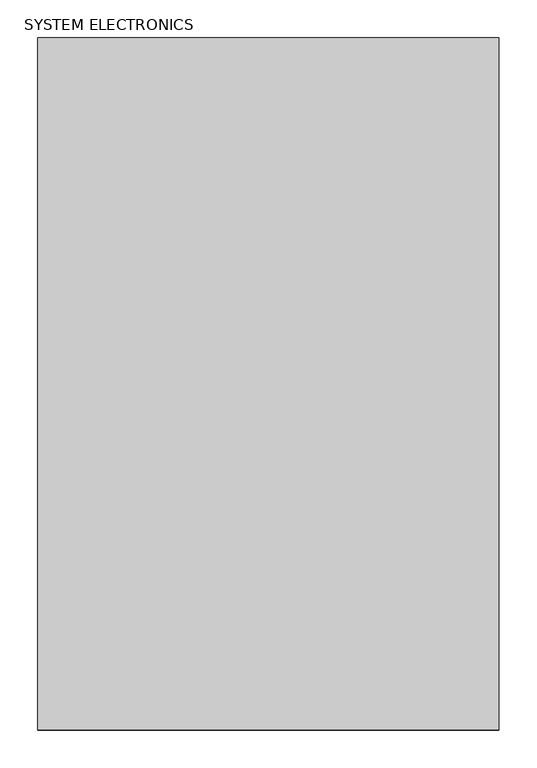
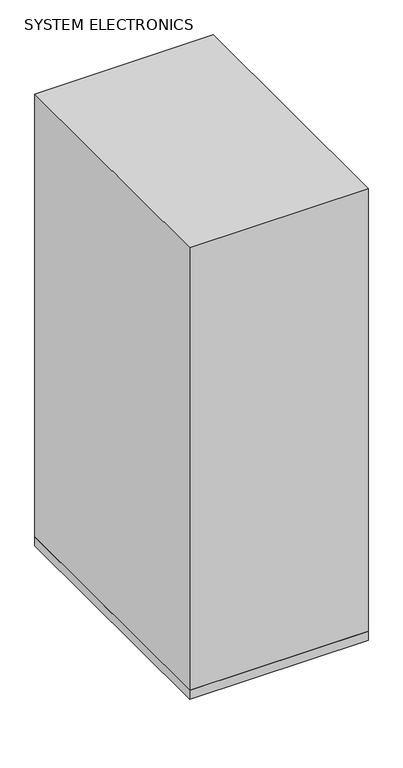
"""IFC4 building model written with IfcOpenShell, lengths in millimetres: proxy geometry, SYSTEM ELECTRONICS."""

import ifcopenshell
import ifcopenshell.guid

model = None  # the IFC model being written
_history = None  # IfcOwnerHistory: only IFC2X3 demands one
_inside = {}  # id of a spatial element -> (the spatial element, [elements in it])
_under = {}  # id of a project, library or spatial element -> (it, [spatial elements below it])
_declared = {}  # id of a project -> (the project, [libraries it declares])
_typed = {}  # id of a type object -> (the type object, [elements of that type])
_made_of = {}  # id of a material, layer set ... -> (it, [elements and type objects made of it])


def new_model(schema):
    """Start an empty IFC model of exactly this schema.

    Asked for "IFC4X3", IfcOpenShell would pick the latest addendum, in which some entities
    have other attributes; the version numbers below select the first issue.
    IFC2X3 requires an IfcOwnerHistory on every rooted entity: one is made here for all.
    """
    global model, _history
    if schema == "IFC4X3":
        model = ifcopenshell.file(schema_version=(4, 3, 0, 0))
    else:
        model = ifcopenshell.file(schema=schema)
    _inside.clear()
    _under.clear()
    _declared.clear()
    _typed.clear()
    _made_of.clear()
    _history = None
    if model.schema == "IFC2X3":
        org = make("IfcOrganization", Name="unknown")
        user = make(
            "IfcPersonAndOrganization",
            ThePerson=make("IfcPerson", FamilyName="unknown"),
            TheOrganization=org,
        )
        app = make(
            "IfcApplication",
            ApplicationDeveloper=org,
            Version="unknown",
            ApplicationFullName="unknown",
            ApplicationIdentifier="unknown",
        )
        _history = make(
            "IfcOwnerHistory",
            OwningUser=user,
            OwningApplication=app,
            ChangeAction="ADDED",
            CreationDate=0,
        )
    return model


def make(cls, **values):
    """One entity of the class cls with the attributes given. An attribute that is None is left unset."""
    return model.create_entity(
        cls, **{name: value for name, value in values.items() if value is not None}
    )


def rooted(cls, **values):
    """An entity with a GlobalId (a new one), such as an element, a storey or a relation."""
    return make(cls, GlobalId=ifcopenshell.guid.new(), OwnerHistory=_history, **values)


def si_unit(unit_type, name, prefix=None):
    """IfcSIUnit, for example si_unit("LENGTHUNIT", "METRE", prefix="MILLI")."""
    return make("IfcSIUnit", UnitType=unit_type, Prefix=prefix, Name=name)


def assignment(units):
    """IfcUnitAssignment: the units of a project."""
    return None if units is None else make("IfcUnitAssignment", Units=units)


def point(xyz):
    """IfcCartesianPoint."""
    return None if xyz is None else make("IfcCartesianPoint", Coordinates=xyz)


def direction(xyz):
    """IfcDirection."""
    return None if xyz is None else make("IfcDirection", DirectionRatios=xyz)


def frame(location, z_axis=None, x_axis=None):
    """IfcAxis2Placement3D, a coordinate frame: its origin and axes. An axis left out is left unset."""
    return make(
        "IfcAxis2Placement3D",
        Location=point(location),
        Axis=direction(z_axis),
        RefDirection=direction(x_axis),
    )


def frame_2d(location, x_axis=None):
    """IfcAxis2Placement2D, a coordinate frame in the plane: its origin and x axis."""
    return make(
        "IfcAxis2Placement2D", Location=point(location), RefDirection=direction(x_axis)
    )


def origin():
    """The frame at (0, 0, 0) with its axes left unset."""
    return frame((0.0, 0.0, 0.0))


def place(relative_to, where):
    """IfcLocalPlacement: puts the frame where relative to a parent placement (None: the world)."""
    return make(
        "IfcLocalPlacement", PlacementRelTo=relative_to, RelativePlacement=where
    )


def context(
    kind, dimensions, precision=None, world=None, true_north=None, identifier=None
):
    """IfcGeometricRepresentationContext, for example the 3D "Model" context."""
    return make(
        "IfcGeometricRepresentationContext",
        ContextIdentifier=identifier,
        ContextType=kind,
        CoordinateSpaceDimension=dimensions,
        Precision=precision,
        WorldCoordinateSystem=world,
        TrueNorth=true_north,
    )


def project(units=None, contexts=None):
    """IfcProject with its units and contexts."""
    return rooted(
        "IfcProject",
        Name="project",
        RepresentationContexts=contexts,
        UnitsInContext=assignment(units),
    )


def spatial(cls, under=None, at=None, **own):
    """A site, building, storey or space (cls), placed at a placement, below another one or the project."""
    s = rooted(cls, ObjectPlacement=at, **own)
    if under is not None:
        _under.setdefault(under.id(), (under, []))[1].append(s)
    return s


def polyline(points):
    """IfcPolyline through the points."""
    return make("IfcPolyline", Points=[point(p) for p in points])


def circle_curve(where, radius):
    """IfcCircle in the frame where."""
    return make("IfcCircle", Position=where, Radius=radius)


def ellipse_curve(where, semi_axis1, semi_axis2):
    """IfcEllipse in the frame where."""
    return make(
        "IfcEllipse", Position=where, SemiAxis1=semi_axis1, SemiAxis2=semi_axis2
    )


def trimmed(basis, trim1, trim2, sense, master):
    """IfcTrimmedCurve: the piece of a basis curve between two trims."""
    return make(
        "IfcTrimmedCurve",
        BasisCurve=basis,
        Trim1=trim1,
        Trim2=trim2,
        SenseAgreement=sense,
        MasterRepresentation=master,
    )


def segment(curve, same_sense, transition):
    """IfcCompositeCurveSegment."""
    return make(
        "IfcCompositeCurveSegment",
        Transition=transition,
        SameSense=same_sense,
        ParentCurve=curve,
    )


def composite_curve(segments, self_intersect=None):
    """IfcCompositeCurve: segments joined end to end."""
    return make("IfcCompositeCurve", Segments=segments, SelfIntersect=self_intersect)


def outline(outer, holes=None, kind="AREA"):
    """IfcArbitraryClosedProfileDef: a profile drawn as a closed curve; with holes, ...WithVoids."""
    if holes is None:
        return make("IfcArbitraryClosedProfileDef", ProfileType=kind, OuterCurve=outer)
    return make(
        "IfcArbitraryProfileDefWithVoids",
        ProfileType=kind,
        OuterCurve=outer,
        InnerCurves=holes,
    )


def extrude(swept, where, along, depth):
    """IfcExtrudedAreaSolid: the profile swept, set in the frame where, extruded along a direction by depth."""
    return make(
        "IfcExtrudedAreaSolid",
        SweptArea=swept,
        Position=where,
        ExtrudedDirection=direction(along),
        Depth=depth,
    )


def shape(context_of_items, identifier, shape_type, items):
    """IfcShapeRepresentation: the items that make up one representation, for example the "Body"."""
    return make(
        "IfcShapeRepresentation",
        ContextOfItems=context_of_items,
        RepresentationIdentifier=identifier,
        RepresentationType=shape_type,
        Items=items,
    )


def source(mapping_origin, context_of_items, identifier, shape_type, items):
    """IfcRepresentationMap: a shape defined once, which mapped items show again and again."""
    return make(
        "IfcRepresentationMap",
        MappingOrigin=mapping_origin,
        MappedRepresentation=shape(context_of_items, identifier, shape_type, items),
    )


def transform(
    local_origin,
    x_axis=None,
    y_axis=None,
    z_axis=None,
    scale=None,
    scale2=None,
    scale3=None,
    uniform=True,
):
    """IfcCartesianTransformationOperator3D, or its non-uniform kind. x_axis, y_axis, z_axis: its Axis1, 2, 3."""
    if uniform:
        return make(
            "IfcCartesianTransformationOperator3D",
            Axis1=direction(x_axis),
            Axis2=direction(y_axis),
            LocalOrigin=point(local_origin),
            Scale=scale,
            Axis3=direction(z_axis),
        )
    return make(
        "IfcCartesianTransformationOperator3DnonUniform",
        Axis1=direction(x_axis),
        Axis2=direction(y_axis),
        LocalOrigin=point(local_origin),
        Scale=scale,
        Axis3=direction(z_axis),
        Scale2=scale2,
        Scale3=scale3,
    )


def mapped(mapping_source, mapping_target):
    """IfcMappedItem: shows the shape of a source again, moved by a transform."""
    return make(
        "IfcMappedItem", MappingSource=mapping_source, MappingTarget=mapping_target
    )


def made_of(thing, what):
    """Note that an element or type object is made of a material, layer set ...; save() writes the relation."""
    if what is not None:
        _made_of.setdefault(what.id(), (what, []))[1].append(thing)
    return thing


def element(
    cls,
    number,
    at=None,
    inside=None,
    cuts=None,
    type_object=None,
    material=None,
    context=None,
    identifier="Body",
    shape_type=None,
    held_by="IfcProductDefinitionShape",
    body=None,
    shapes=None,
    **own,
):
    """One element of the class cls, such as IfcWall. Its Tag is "e" and its number.

    at: its placement. inside: the storey or other place that contains it. cuts: it is an
    opening in that element (IfcRelVoidsElement). A single representation is given by context,
    identifier, shape_type and body (its items); several are given by shapes. held_by: the class
    of the entity that holds the representations. save() writes the other relations.
    """
    e = rooted(cls, Tag="e%d" % number, ObjectPlacement=at, **own)
    if body is not None:
        shapes = [shape(context, identifier, shape_type, body)]
    if shapes is not None:
        e.Representation = make(held_by, Representations=shapes)
    if inside is not None:
        _inside.setdefault(inside.id(), (inside, []))[1].append(e)
    if cuts is not None:
        rooted(
            "IfcRelVoidsElement", RelatingBuildingElement=cuts, RelatedOpeningElement=e
        )
    if type_object is not None:
        _typed.setdefault(type_object.id(), (type_object, []))[1].append(e)
    return made_of(e, material)


def aggregate(whole, parts):
    """IfcRelAggregates: a whole, such as a stair, and the parts it consists of."""
    return rooted("IfcRelAggregates", RelatingObject=whole, RelatedObjects=parts)


def save(model, path):
    """Write the relations noted so far, then the file.

    IfcRelAggregates (storeys below a building ...), IfcRelContainedInSpatialStructure (elements
    in a storey), IfcRelDefinesByType, IfcRelAssociatesMaterial and IfcRelDeclares: one each for
    every whole, place, type object, material and project.
    """
    for whole, parts in _under.values():
        aggregate(whole, parts)
    for where, things in _inside.values():
        rooted(
            "IfcRelContainedInSpatialStructure",
            RelatedElements=things,
            RelatingStructure=where,
        )
    for kind, things in _typed.values():
        rooted("IfcRelDefinesByType", RelatedObjects=things, RelatingType=kind)
    for what, things in _made_of.values():
        rooted("IfcRelAssociatesMaterial", RelatedObjects=things, RelatingMaterial=what)
    for by, libraries in _declared.values():
        rooted("IfcRelDeclares", RelatingContext=by, RelatedDefinitions=libraries)
    model.write(path)


def plane_surface(at):
    """IfcPlane: the flat surface through the origin of the frame at, square to its z axis."""
    return make("IfcPlane", Position=at)


def cylinder_surface(at, radius):
    """IfcCylindricalSurface: all points at the distance radius from the z axis of the frame at."""
    return make("IfcCylindricalSurface", Position=at, Radius=radius)


def revolved_surface(curve, axis_point, axis_direction):
    """IfcSurfaceOfRevolution: the curve turned about the line through axis_point along axis_direction."""
    return make(
        "IfcSurfaceOfRevolution",
        SweptCurve=make("IfcArbitraryOpenProfileDef", ProfileType="CURVE", Curve=curve),
        AxisPosition=make("IfcAxis1Placement", Location=point(axis_point), Axis=direction(axis_direction)),
    )


def advanced_brep(points, edges, surfaces, faces):
    """IfcAdvancedBrep: a solid bounded by faces that lie on surfaces and meet in shared edges.

    An edge is (start, end): straight between two places in points (the first is 0);
    or (start, end, curve); or (start, end, curve, False) where it runs against its curve.
    A face is (place in surfaces, loops), or (place, loops, False) where it looks against
    its surface's normal. A loop lists edges by number (the first is 1), with a minus sign
    where the edge is run from its end to its start. The first loop is the outer one.
    """
    corners = [point(p) for p in points]
    vertices = [make("IfcVertexPoint", VertexGeometry=c) for c in corners]
    made = []
    for start, end, *more in edges:
        made.append(
            make(
                "IfcEdgeCurve",
                EdgeStart=vertices[start],
                EdgeEnd=vertices[end],
                EdgeGeometry=more[0] if more else make("IfcPolyline", Points=[corners[start], corners[end]]),
                SameSense=more[1] if len(more) > 1 else True,
            )
        )
    hull = []
    for where, loops, *sense in faces:
        bounds = []
        for j, loop in enumerate(loops):
            ring = [make("IfcOrientedEdge", EdgeElement=made[abs(k) - 1], Orientation=k > 0) for k in loop]
            bounds.append(
                make(
                    "IfcFaceOuterBound" if j == 0 else "IfcFaceBound",
                    Bound=make("IfcEdgeLoop", EdgeList=ring),
                    Orientation=True,
                )
            )
        hull.append(make("IfcAdvancedFace", Bounds=bounds, FaceSurface=surfaces[where], SameSense=sense[0] if sense else True))
    return make("IfcAdvancedBrep", Outer=make("IfcClosedShell", CfsFaces=hull))


def system_electronics_03a09ee6(model_context):
    return source(origin(), model_context, "Body", "SolidModel", [
        advanced_brep(
        [(542.5051108, -660.4, 12.7), (542.5051108, -660.4, 88.9), (542.5051108, -660.4, 95.25), (542.5051108, -660.4, 6.35), (542.5051108, -635.0, 12.7), (542.5051108, -635.0, 88.9), (542.5051108, -635.0, 6.35), (542.5051108, -635.0, 95.25), (542.5051108, -641.35, 0.0), (542.5051108, -641.35, 101.6), (542.5051108, -654.05, 0.0), (542.5051108, -654.05, 101.6)],
        [
            (0, 1, circle_curve(frame((542.5051108, -660.4, 50.8), z_axis=(0.0, 1.0, 0.0), x_axis=(0.0, 0.0, 1.0)), 38.1)),
            (1, 2),
            (2, 3, circle_curve(frame((542.5051108, -660.4, 50.8), z_axis=(0.0, -1.0, 0.0), x_axis=(0.0, 0.0, 1.0)), 44.45)),
            (3, 0),
            (1, 0, circle_curve(frame((542.5051108, -660.4, 50.8), z_axis=(0.0, 1.0, 0.0), x_axis=(0.0, 0.0, 1.0)), 38.1)),
            (3, 2, circle_curve(frame((542.5051108, -660.4, 50.8), z_axis=(0.0, -1.0, 0.0), x_axis=(0.0, 0.0, 1.0)), 44.45)),
            (4, 5, circle_curve(frame((542.5051108, -635.0, 50.8), z_axis=(0.0, 1.0, 0.0), x_axis=(0.0, 0.0, 1.0)), 38.1)),
            (5, 1),
            (0, 4),
            (5, 4, circle_curve(frame((542.5051108, -635.0, 50.8), z_axis=(0.0, 1.0, 0.0), x_axis=(0.0, 0.0, 1.0)), 38.1)),
            (6, 7, circle_curve(frame((542.5051108, -635.0, 50.8), z_axis=(0.0, 1.0, 0.0), x_axis=(0.0, 0.0, 1.0)), 44.45)),
            (7, 5),
            (4, 6),
            (7, 6, circle_curve(frame((542.5051108, -635.0, 50.8), z_axis=(0.0, 1.0, 0.0), x_axis=(0.0, 0.0, 1.0)), 44.45)),
            (8, 9, circle_curve(frame((542.5051108, -641.35, 50.8), z_axis=(0.0, 1.0, 0.0), x_axis=(0.0, 0.0, 1.0)), 50.8)),
            (9, 7, circle_curve(frame((542.5051108, -641.35, 95.25), z_axis=(-0.9999999999999998, 0.0, 0.0), x_axis=(0.0, 0.9999999999999998, 0.0)), 6.35)),
            (6, 8, circle_curve(frame((542.5051108, -641.35, 6.35), z_axis=(-0.9999999999999998, 0.0, 0.0), x_axis=(0.0, 0.9999999999999998, 0.0)), 6.35)),
            (9, 8, circle_curve(frame((542.5051108, -641.35, 50.8), z_axis=(0.0, 1.0, 0.0), x_axis=(0.0, 0.0, 1.0)), 50.8)),
            (10, 11, circle_curve(frame((542.5051108, -654.05, 50.8), z_axis=(0.0, 1.0, 0.0), x_axis=(0.0, 0.0, 1.0)), 50.8)),
            (11, 9),
            (8, 10),
            (11, 10, circle_curve(frame((542.5051108, -654.05, 50.8), z_axis=(0.0, 1.0, 0.0), x_axis=(0.0, 0.0, 1.0)), 50.8)),
            (2, 11, circle_curve(frame((542.5051108, -654.05, 95.25), z_axis=(-0.9999999999999998, 0.0, 0.0), x_axis=(0.0, 0.9999999999999998, 0.0)), 6.35)),
            (10, 3, circle_curve(frame((542.5051108, -654.05, 6.35), z_axis=(-0.9999999999999998, 0.0, 0.0), x_axis=(0.0, 0.9999999999999998, 0.0)), 6.35)),
        ],
        [
            plane_surface(frame((542.5051108, -660.4, 50.8), z_axis=(0.0, -1.0, 0.0), x_axis=(0.0, 0.0, 1.0))),
            revolved_surface(polyline([(542.5051108, -660.4, 88.9), (542.5051108, -635.0, 88.9)]), (542.5051108, -673.1, 50.8), (0.0, -0.9999999999999998, 0.0)),
            plane_surface(frame((542.5051108, -635.0, 50.8), z_axis=(0.0, 1.0, 0.0), x_axis=(0.0, 0.0, 1.0))),
            revolved_surface(trimmed(ellipse_curve(frame((542.5051108, -641.35, 95.25), z_axis=(0.9999999999999998, 0.0, 0.0), x_axis=(0.0, 0.9999999999999998, 0.0)), 6.35, 6.35), [point((542.5051108, -635.0, 95.25))], [point((542.5051108, -641.35, 101.6))], True, "CARTESIAN"), (542.5051108, -673.1, 50.8), (0.0, -0.9999999999999998, 0.0)),
            cylinder_surface(frame((542.5051108, -673.1, 50.8), z_axis=(0.0, -0.9999999999999998, 0.0), x_axis=(0.0, 0.0, 1.0)), 50.8),
            revolved_surface(trimmed(ellipse_curve(frame((542.5051108, -654.05, 95.25), z_axis=(0.9999999999999998, 0.0, 0.0), x_axis=(0.0, 0.9999999999999998, 0.0)), 6.35, 6.35), [point((542.5051108, -654.05, 101.6))], [point((542.5051108, -660.4, 95.25))], True, "CARTESIAN"), (542.5051108, -673.1, 50.8), (0.0, -0.9999999999999998, 0.0)),
        ],
        [
            (0, [[1, 2, 3, 4]]),
            (0, [[5, -4, 6, -2]]),
            (1, [[7, 8, -1, 9]]),
            (1, [[10, -9, -5, -8]]),
            (2, [[11, 12, -7, 13]]),
            (2, [[14, -13, -10, -12]]),
            (3, [[15, 16, -11, 17]]),
            (3, [[18, -17, -14, -16]]),
            (4, [[19, 20, -15, 21]]),
            (4, [[22, -21, -18, -20]]),
            (5, [[-3, 23, -19, 24]]),
            (5, [[-6, -24, -22, -23]]),
        ],
    ),
        advanced_brep(
        [(560.4133468, -628.65, 44.3040332), (524.0149211, -628.65, 55.3842539), (543.3448892, -628.65, 120.65), (586.9551108, -628.65, 120.65), (586.9551108, -628.65, 104.775), (560.4133468, -631.825, 44.3040332), (586.9551108, -631.825, 104.775), (538.6431388, -631.825, 104.775), (524.5007086, -631.825, 57.024468), (524.0149211, -631.825, 55.3842539), (523.4551108, -631.825, 50.8), (538.6431388, -663.575, 104.775), (524.5007086, -663.575, 57.024468), (524.0149211, -663.575, 55.3842539), (524.0149211, -666.75, 55.3842539), (543.3448892, -666.75, 120.65), (586.9551108, -666.75, 120.65), (586.9551108, -666.75, 104.775), (586.9551108, -663.575, 104.775), (560.4133468, -666.75, 44.3040332), (560.4133468, -663.575, 44.3040332), (523.4551108, -663.575, 50.8)],
        [
            (0, 1, circle_curve(frame((542.5051108, -628.65, 50.8), z_axis=(0.0, 1.0, 0.0), x_axis=(0.9999999999999998, 0.0, 0.0)), 19.05)),
            (1, 2),
            (2, 3),
            (3, 4),
            (4, 0),
            (5, 6),
            (6, 7),
            (7, 8),
            (8, 9),
            (9, 10, circle_curve(frame((542.5051108, -631.825, 50.8), z_axis=(0.0, -1.0, 0.0), x_axis=(0.9999999999999998, 0.0, 0.0)), 19.05)),
            (10, 5, circle_curve(frame((542.5051108, -631.825, 50.8), z_axis=(0.0, -1.0, 0.0), x_axis=(0.9999999999999998, 0.0, 0.0)), 19.05)),
            (0, 5),
            (9, 1),
            (7, 11),
            (11, 12),
            (12, 13),
            (13, 14),
            (14, 15),
            (15, 2),
            (15, 16),
            (16, 3),
            (16, 17),
            (17, 18),
            (18, 6),
            (6, 4),
            (18, 11),
            (19, 17),
            (14, 19, circle_curve(frame((542.5051108, -666.75, 50.8), z_axis=(0.0, -1.0, 0.0), x_axis=(0.9999999999999998, 0.0, 0.0)), 19.05)),
            (18, 20),
            (20, 21, circle_curve(frame((542.5051108, -663.575, 50.8), z_axis=(0.0, 1.0, 0.0), x_axis=(0.9999999999999998, 0.0, 0.0)), 19.05)),
            (21, 13, circle_curve(frame((542.5051108, -663.575, 50.8), z_axis=(0.0, 1.0, 0.0), x_axis=(0.9999999999999998, 0.0, 0.0)), 19.05)),
            (19, 20),
        ],
        [
            plane_surface(frame((561.5551108, -628.65, 50.8), z_axis=(0.0, 1.0, 0.0), x_axis=(0.0, 0.0, -1.0))),
            plane_surface(frame((561.5551108, -631.825, 50.8), z_axis=(0.0, -1.0, 0.0), x_axis=(0.0, 0.0, 1.0))),
            cylinder_surface(frame((542.5051108, -631.825, 50.8), z_axis=(0.0, 0.9999999999999998, 0.0), x_axis=(0.9999999999999998, 0.0, 0.0)), 19.05),
            plane_surface(frame((524.0149211, -628.65, 55.3842539), z_axis=(-0.9588302426656272, 0.0, 0.28397986856425994), x_axis=(0.0, -1.0, 0.0))),
            plane_surface(frame((543.3448892, -628.65, 120.65), z_axis=(0.0, 0.0, 1.0), x_axis=(0.0, -1.0, 0.0))),
            plane_surface(frame((586.9551108, -628.65, 120.65), z_axis=(1.0, 0.0, 0.0), x_axis=(0.0, -1.0, 0.0))),
            plane_surface(frame((586.9551108, -628.65, 104.775), z_axis=(0.915680061718798, 0.0, -0.40190798022763663), x_axis=(0.0, -1.0, 0.0))),
            plane_surface(frame((538.6431388, -663.575, 104.775), z_axis=(0.0, 0.0, -1.0), x_axis=(0.0, 1.0, 0.0))),
            plane_surface(frame((591.6962892, -666.75, 115.5769813), z_axis=(0.0, -1.0, 0.0), x_axis=(0.40190798022763913, 0.0, 0.9156800617187969))),
            plane_surface(frame((591.6962892, -663.575, 115.5769813), z_axis=(0.0, 1.0, 0.0), x_axis=(-0.40190798022763913, 0.0, -0.9156800617187969))),
            plane_surface(frame((560.4133468, -666.75, 44.3040332), z_axis=(0.9156800617187969, 0.0, -0.40190798022763913), x_axis=(0.0, 1.0, 0.0))),
            cylinder_surface(frame((542.5051108, -663.575, 50.8), z_axis=(0.0, -0.9999999999999998, 0.0), x_axis=(0.9999999999999998, 0.0, 0.0)), 19.05),
        ],
        [
            (0, [[1, 2, 3, 4, 5]]),
            (1, [[6, 7, 8, 9, 10, 11]]),
            (2, [[-1, 12, -11, -10, 13]]),
            (3, [[-2, -13, -9, -8, 14, 15, 16, 17, 18, 19]]),
            (4, [[-3, -19, 20, 21]]),
            (5, [[-4, -21, 22, 23, 24, 25]]),
            (6, [[-5, -25, -6, -12]]),
            (7, [[-24, 26, -14, -7]]),
            (8, [[27, -22, -20, -18, 28]]),
            (9, [[29, 30, 31, -16, -15, -26]]),
            (10, [[-27, 32, -29, -23]]),
            (11, [[-28, -17, -31, -30, -32]]),
        ],
    ),
        advanced_brep(
        [(504.4051108, -660.4, 50.8), (580.6051108, -660.4, 50.8), (507.5801108, -660.4, 50.8), (577.4301108, -660.4, 50.8), (504.4051108, -635.0, 50.8), (580.6051108, -635.0, 50.8), (507.5801108, -635.0, 50.8), (577.4301108, -635.0, 50.8), (523.4551108, -663.575, 50.8), (561.5551108, -663.575, 50.8), (523.4551108, -631.825, 50.8), (561.5551108, -631.825, 50.8), (523.4551108, -660.4, 50.8), (561.5551108, -660.4, 50.8), (561.5551108, -635.0, 50.8), (523.4551108, -635.0, 50.8), (507.5801108, -654.05, 50.8), (577.4301108, -654.05, 50.8), (523.4551108, -654.05, 50.8), (561.5551108, -654.05, 50.8), (507.5801108, -641.35, 50.8), (577.4301108, -641.35, 50.8), (523.4551108, -641.35, 50.8), (561.5551108, -641.35, 50.8)],
        [
            (0, 1, circle_curve(frame((542.5051108, -660.4, 50.8), z_axis=(0.0, -1.0, 0.0), x_axis=(0.9999999999999998, 0.0, 0.0)), 38.1)),
            (1, 0, circle_curve(frame((542.5051108, -660.4, 50.8), z_axis=(0.0, -1.0, 0.0), x_axis=(0.9999999999999998, 0.0, 0.0)), 38.1)),
            (2, 3, circle_curve(frame((542.5051108, -660.4, 50.8), z_axis=(0.0, 1.0, 0.0), x_axis=(0.9999999999999998, 0.0, 0.0)), 34.925)),
            (3, 2, circle_curve(frame((542.5051108, -660.4, 50.8), z_axis=(0.0, 1.0, 0.0), x_axis=(0.9999999999999998, 0.0, 0.0)), 34.925)),
            (4, 5, circle_curve(frame((542.5051108, -635.0, 50.8), z_axis=(0.0, 1.0, 0.0), x_axis=(0.9999999999999998, 0.0, 0.0)), 38.1)),
            (5, 4, circle_curve(frame((542.5051108, -635.0, 50.8), z_axis=(0.0, 1.0, 0.0), x_axis=(0.9999999999999998, 0.0, 0.0)), 38.1)),
            (6, 7, circle_curve(frame((542.5051108, -635.0, 50.8), z_axis=(0.0, -1.0, 0.0), x_axis=(0.9999999999999998, 0.0, 0.0)), 34.925)),
            (7, 6, circle_curve(frame((542.5051108, -635.0, 50.8), z_axis=(0.0, -1.0, 0.0), x_axis=(0.9999999999999998, 0.0, 0.0)), 34.925)),
            (0, 4),
            (5, 1),
            (8, 9, circle_curve(frame((542.5051108, -663.575, 50.8), z_axis=(0.0, -1.0, 0.0), x_axis=(0.9999999999999998, 0.0, 0.0)), 19.05)),
            (9, 8, circle_curve(frame((542.5051108, -663.575, 50.8), z_axis=(0.0, -1.0, 0.0), x_axis=(0.9999999999999998, 0.0, 0.0)), 19.05)),
            (10, 11, circle_curve(frame((542.5051108, -631.825, 50.8), z_axis=(0.0, 1.0, 0.0), x_axis=(0.9999999999999998, 0.0, 0.0)), 19.05)),
            (11, 10, circle_curve(frame((542.5051108, -631.825, 50.8), z_axis=(0.0, 1.0, 0.0), x_axis=(0.9999999999999998, 0.0, 0.0)), 19.05)),
            (8, 12),
            (12, 13, circle_curve(frame((542.5051108, -660.4, 50.8), z_axis=(0.0, -1.0, 0.0), x_axis=(0.9999999999999998, 0.0, 0.0)), 19.05)),
            (13, 9),
            (11, 14),
            (14, 15, circle_curve(frame((542.5051108, -635.0, 50.8), z_axis=(0.0, 1.0, 0.0), x_axis=(0.9999999999999998, 0.0, 0.0)), 19.05)),
            (15, 10),
            (13, 12, circle_curve(frame((542.5051108, -660.4, 50.8), z_axis=(0.0, -1.0, 0.0), x_axis=(0.9999999999999998, 0.0, 0.0)), 19.05)),
            (15, 14, circle_curve(frame((542.5051108, -635.0, 50.8), z_axis=(0.0, 1.0, 0.0), x_axis=(0.9999999999999998, 0.0, 0.0)), 19.05)),
            (16, 17, circle_curve(frame((542.5051108, -654.05, 50.8), z_axis=(0.0, -1.0, 0.0), x_axis=(0.9999999999999998, 0.0, 0.0)), 34.925)),
            (17, 16, circle_curve(frame((542.5051108, -654.05, 50.8), z_axis=(0.0, -1.0, 0.0), x_axis=(0.9999999999999998, 0.0, 0.0)), 34.925)),
            (18, 19, circle_curve(frame((542.5051108, -654.05, 50.8), z_axis=(0.0, 1.0, 0.0), x_axis=(0.9999999999999998, 0.0, 0.0)), 19.05)),
            (19, 18, circle_curve(frame((542.5051108, -654.05, 50.8), z_axis=(0.0, 1.0, 0.0), x_axis=(0.9999999999999998, 0.0, 0.0)), 19.05)),
            (17, 3),
            (2, 16),
            (19, 13),
            (12, 18),
            (20, 21, circle_curve(frame((542.5051108, -641.35, 50.8), z_axis=(0.0, 1.0, 0.0), x_axis=(0.9999999999999998, 0.0, 0.0)), 34.925)),
            (21, 20, circle_curve(frame((542.5051108, -641.35, 50.8), z_axis=(0.0, 1.0, 0.0), x_axis=(0.9999999999999998, 0.0, 0.0)), 34.925)),
            (22, 23, circle_curve(frame((542.5051108, -641.35, 50.8), z_axis=(0.0, -1.0, 0.0), x_axis=(0.9999999999999998, 0.0, 0.0)), 19.05)),
            (23, 22, circle_curve(frame((542.5051108, -641.35, 50.8), z_axis=(0.0, -1.0, 0.0), x_axis=(0.9999999999999998, 0.0, 0.0)), 19.05)),
            (21, 7),
            (6, 20),
            (23, 14),
            (15, 22),
        ],
        [
            plane_surface(frame((580.6051108, -660.4, 50.8), z_axis=(0.0, -1.0, 0.0), x_axis=(0.0, 0.0, 1.0))),
            plane_surface(frame((580.6051108, -635.0, 50.8), z_axis=(0.0, 1.0, 0.0), x_axis=(0.0, 0.0, -1.0))),
            cylinder_surface(frame((542.5051108, -635.0, 50.8), z_axis=(0.0, -0.9999999999999998, 0.0), x_axis=(0.9999999999999998, 0.0, 0.0)), 38.1),
            plane_surface(frame((561.5551108, -663.575, 50.8), z_axis=(0.0, -1.0, 0.0), x_axis=(0.0, 0.0, 1.0))),
            plane_surface(frame((561.5551108, -631.825, 50.8), z_axis=(0.0, 1.0, 0.0), x_axis=(0.0, 0.0, -1.0))),
            cylinder_surface(frame((542.5051108, -631.825, 50.8), z_axis=(0.0, -0.9999999999999998, 0.0), x_axis=(0.9999999999999998, 0.0, 0.0)), 19.05),
            plane_surface(frame((577.4301108, -654.05, 50.8), z_axis=(0.0, -1.0, 0.0), x_axis=(0.0, 0.0, -1.0))),
            revolved_surface(polyline([(577.4301108, -654.05, 50.8), (577.4301108, -660.4, 50.8)]), (542.5051108, -660.4, 50.8), (0.0, 0.9999999999999998, 0.0)),
            cylinder_surface(frame((542.5051108, -660.4, 50.8), z_axis=(0.0, -0.9999999999999998, 0.0), x_axis=(0.9999999999999998, 0.0, 0.0)), 19.05),
            plane_surface(frame((577.4301108, -641.35, 50.8), z_axis=(0.0, 1.0, 0.0), x_axis=(0.0, 0.0, 1.0))),
            revolved_surface(polyline([(577.4301108, -641.35, 50.8), (577.4301108, -635.0, 50.8)]), (542.5051108, -635.0, 50.8), (0.0, -0.9999999999999998, 0.0)),
            cylinder_surface(frame((542.5051108, -635.0, 50.8), z_axis=(0.0, 0.9999999999999998, 0.0), x_axis=(0.9999999999999998, 0.0, 0.0)), 19.05),
        ],
        [
            (0, [[1, 2], [3, 4]]),
            (1, [[5, 6], [7, 8]]),
            (2, [[-1, 9, -6, 10]]),
            (2, [[-2, -10, -5, -9]]),
            (3, [[11, 12]]),
            (4, [[13, 14]]),
            (5, [[-11, 15, 16, 17]]),
            (5, [[-14, 18, 19, 20]]),
            (5, [[-12, -17, 21, -15]]),
            (5, [[-13, -20, 22, -18]]),
            (6, [[23, 24], [25, 26]]),
            (7, [[-24, 27, -3, 28]]),
            (7, [[-23, -28, -4, -27]]),
            (8, [[-26, 29, -16, 30]]),
            (8, [[-25, -30, -21, -29]]),
            (9, [[31, 32], [33, 34]]),
            (10, [[-32, 35, -7, 36]]),
            (10, [[-31, -36, -8, -35]]),
            (11, [[-34, 37, -22, 38]]),
            (11, [[-33, -38, -19, -37]]),
        ],
    ),
        extrude(outline(composite_curve([segment(trimmed(circle_curve(frame_2d((565.15, -647.7)), 19.05), [point((546.1, -647.7))], [point((584.2, -647.7))], False, "CARTESIAN"), True, "CONTINUOUS"), segment(trimmed(circle_curve(frame_2d((565.15, -647.7)), 19.05), [point((584.2, -647.7))], [point((546.1, -647.7))], False, "CARTESIAN"), True, "CONTINUOUS")], self_intersect=False)), frame((0.0, 0.0, 120.65), z_axis=(0.0, 0.0, 1.0), x_axis=(1.0, 0.0, 0.0)), (0.0, 0.0, 1.0), 6.35),
        extrude(outline(polyline([(609.6, -609.6), (609.6, -1524.0), (0.0, -1524.0), (0.0, -609.6), (609.6, -609.6)])), frame((0.0, 0.0, 120.65), z_axis=(0.0, 0.0, 1.0), x_axis=(1.0, 0.0, 0.0)), (0.0, 0.0, 1.0), 31.75),
        extrude(outline(polyline([(609.6, -609.6), (609.6, -1524.0), (0.0, -1524.0), (0.0, -609.6), (609.6, -609.6)])), frame((0.0, 0.0, 152.4), z_axis=(0.0, 0.0, 1.0), x_axis=(1.0, 0.0, 0.0)), (0.0, 0.0, 1.0), 1600.2),
    ])


if __name__ == "__main__":
    model = new_model("IFC4")
    model_context = context("Model", 3, world=origin())
    ifc_project = project(units=[si_unit("LENGTHUNIT", "METRE", prefix="MILLI")], contexts=[model_context])
    site = spatial("IfcSite", under=ifc_project)
    building = spatial("IfcBuilding", under=site)
    placement = place(None, origin())
    system_electronics_shape = system_electronics_03a09ee6(model_context)
    element("IfcBuildingElementProxy", 1, Name="SYSTEM ELECTRONICS", ObjectType="SYSTEM ELECTRONICS", at=placement, inside=building, context=model_context, shape_type="MappedRepresentation", body=[
        mapped(system_electronics_shape, transform((0.0, 0.0, 0.0), x_axis=(1.0, 0.0, 0.0), y_axis=(0.0, 1.0, 0.0), z_axis=(0.0, 0.0, 1.0))),
    ])
    save(model, "model.ifc")
